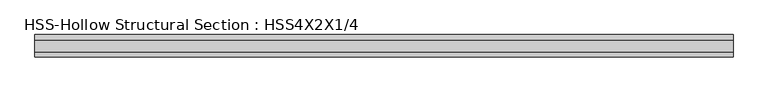
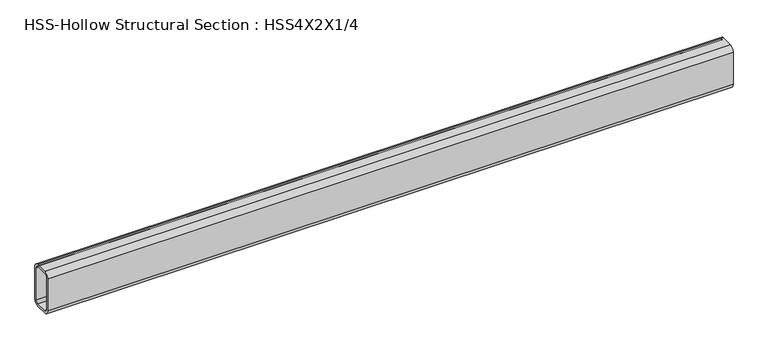
"""IFC4 building model written with IfcOpenShell, lengths in millimetres: beam geometry, HSS-Hollow Structural Section : HSS4X2X1/4."""

from ifc_helpers import new_model, si_unit, point, frame, frame_2d, origin, place, context, project, spatial, polyline, circle_curve, trimmed, segment, composite_curve, outline, extrude, source, transform, mapped, element, save


def hss_hollow_structural_section_hss4x2x1_4_53577590(model_context):
    return source(origin(), model_context, "Body", "SweptSolid", [
        extrude(outline(composite_curve([segment(polyline([(25.4, 38.9636), (25.4, -38.9636)]), True, "CONTINUOUS"), segment(trimmed(circle_curve(frame_2d((13.5636, -38.9636)), 11.8364), [point((25.4, -38.9636))], [point((13.5636, -50.8))], False, "CARTESIAN"), True, "CONTINUOUS"), segment(polyline([(13.5636, -50.8), (-13.5636, -50.8)]), True, "CONTINUOUS"), segment(trimmed(circle_curve(frame_2d((-13.5636, -38.9636)), 11.8364), [point((-13.5636, -50.8))], [point((-25.4, -38.9636))], False, "CARTESIAN"), True, "CONTINUOUS"), segment(polyline([(-25.4, -38.9636), (-25.4, 38.9636)]), True, "CONTINUOUS"), segment(trimmed(circle_curve(frame_2d((-13.5636, 38.9636)), 11.8364), [point((-25.4, 38.9636))], [point((-13.5636, 50.8))], False, "CARTESIAN"), True, "CONTINUOUS"), segment(polyline([(-13.5636, 50.8), (13.5636, 50.8)]), True, "CONTINUOUS"), segment(trimmed(circle_curve(frame_2d((13.5636, 38.9636)), 11.8364), [point((13.5636, 50.8))], [point((25.4, 38.9636))], False, "CARTESIAN"), True, "CONTINUOUS")], self_intersect=False), holes=[composite_curve([segment(trimmed(circle_curve(frame_2d((-13.5636, 38.9636)), 5.9182), [point((-13.5636, 44.8818))], [point((-19.4818, 38.9636))], True, "CARTESIAN"), True, "CONTINUOUS"), segment(polyline([(-19.4818, 38.9636), (-19.4818, -38.9636)]), True, "CONTINUOUS"), segment(trimmed(circle_curve(frame_2d((-13.5636, -38.9636)), 5.9182), [point((-19.4818, -38.9636))], [point((-13.5636, -44.8818))], True, "CARTESIAN"), True, "CONTINUOUS"), segment(polyline([(-13.5636, -44.8818), (13.5636, -44.8818)]), True, "CONTINUOUS"), segment(trimmed(circle_curve(frame_2d((13.5636, -38.9636)), 5.9182), [point((13.5636, -44.8818))], [point((19.4818, -38.9636))], True, "CARTESIAN"), True, "CONTINUOUS"), segment(polyline([(19.4818, -38.9636), (19.4818, 38.9636)]), True, "CONTINUOUS"), segment(trimmed(circle_curve(frame_2d((13.5636, 38.9636)), 5.9182), [point((19.4818, 38.9636))], [point((13.5636, 44.8818))], True, "CARTESIAN"), True, "CONTINUOUS"), segment(polyline([(13.5636, 44.8818), (-13.5636, 44.8818)]), True, "CONTINUOUS")], self_intersect=False)]), frame((-788.542553, 0.0, 0.0), z_axis=(1.0, 0.0, 0.0), x_axis=(0.0, 1.0, 0.0)), (0.0, 0.0, 1.0), 1577.0851059),
    ])


if __name__ == "__main__":
    model = new_model("IFC4")
    model_context = context("Model", 3, world=origin())
    ifc_project = project(units=[si_unit("LENGTHUNIT", "METRE", prefix="MILLI")], contexts=[model_context])
    site = spatial("IfcSite", under=ifc_project)
    building = spatial("IfcBuilding", under=site)
    placement = place(None, origin())
    hss_hollow_structural_section_hss4x2x1_4_shape = hss_hollow_structural_section_hss4x2x1_4_53577590(model_context)
    element("IfcBeam", 1, ObjectType="HSS-Hollow Structural Section : HSS4X2X1/4", at=placement, inside=building, context=model_context, shape_type="MappedRepresentation", body=[
        mapped(hss_hollow_structural_section_hss4x2x1_4_shape, transform((0.0, 0.0, 0.0), x_axis=(1.0, 0.0, 0.0), y_axis=(0.0, 1.0, 0.0), z_axis=(0.0, 0.0, 1.0))),
    ])
    save(model, "model.ifc")
